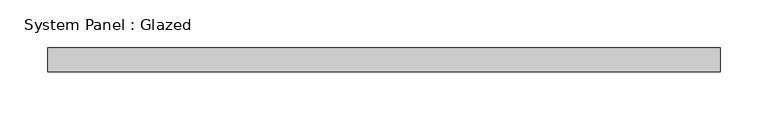
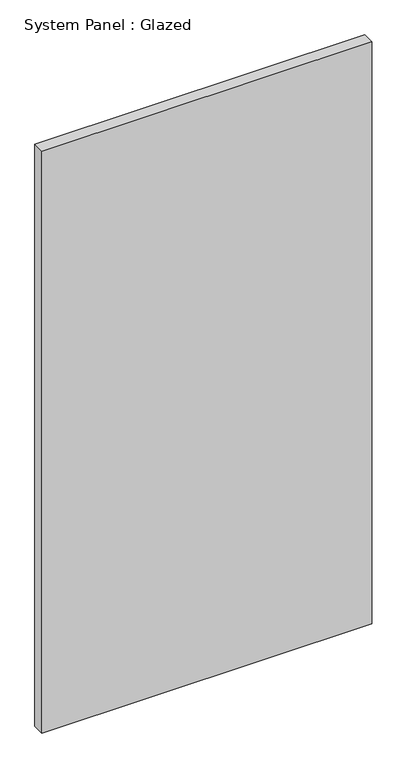
"""IFC4 building model written with IfcOpenShell, lengths in millimetres: plate geometry, System Panel : Glazed."""

from ifc_helpers import new_model, si_unit, origin, origin_with_axes, place, context, project, spatial, polyline, outline, extrude, source, transform, mapped, element, save


def system_panel_glazed_3c67803f(model_context):
    return source(origin(), model_context, "Body", "SweptSolid", [
        extrude(outline(polyline([(352.425, -12.7), (-352.425, -12.7), (-352.425, 12.7), (352.425, 12.7), (352.425, -12.7)])), origin_with_axes(), (0.0, 0.0, 1.0), 1314.45),
    ])


if __name__ == "__main__":
    model = new_model("IFC4")
    model_context = context("Model", 3, world=origin())
    ifc_project = project(units=[si_unit("LENGTHUNIT", "METRE", prefix="MILLI")], contexts=[model_context])
    site = spatial("IfcSite", under=ifc_project)
    building = spatial("IfcBuilding", under=site)
    placement = place(None, origin())
    system_panel_glazed_shape = system_panel_glazed_3c67803f(model_context)
    element("IfcPlate", 1, ObjectType="System Panel : Glazed", at=placement, inside=building, context=model_context, shape_type="MappedRepresentation", body=[
        mapped(system_panel_glazed_shape, transform((0.0, 0.0, 0.0), x_axis=(1.0, 0.0, 0.0), y_axis=(0.0, 1.0, 0.0), z_axis=(0.0, 0.0, 1.0))),
    ])
    save(model, "model.ifc")
